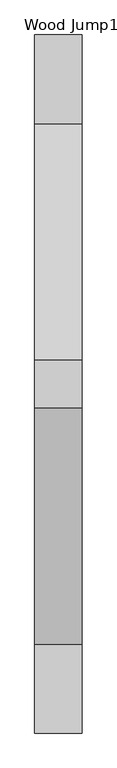
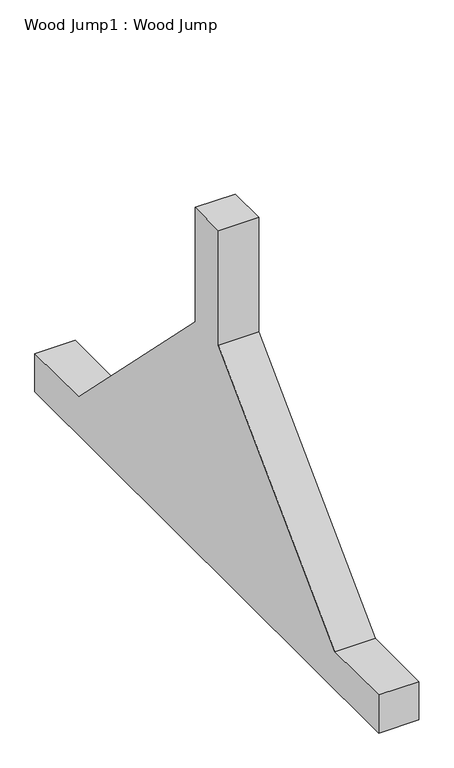
"""IFC4 building model written with IfcOpenShell, lengths in millimetres: proxy geometry, Wood Jump1 : Wood Jump."""

import ifcopenshell
import ifcopenshell.guid

model = None  # the IFC model being written
_history = None  # IfcOwnerHistory: only IFC2X3 demands one
_inside = {}  # id of a spatial element -> (the spatial element, [elements in it])
_under = {}  # id of a project, library or spatial element -> (it, [spatial elements below it])
_declared = {}  # id of a project -> (the project, [libraries it declares])
_typed = {}  # id of a type object -> (the type object, [elements of that type])
_made_of = {}  # id of a material, layer set ... -> (it, [elements and type objects made of it])


def new_model(schema):
    """Start an empty IFC model of exactly this schema.

    Asked for "IFC4X3", IfcOpenShell would pick the latest addendum, in which some entities
    have other attributes; the version numbers below select the first issue.
    IFC2X3 requires an IfcOwnerHistory on every rooted entity: one is made here for all.
    """
    global model, _history
    if schema == "IFC4X3":
        model = ifcopenshell.file(schema_version=(4, 3, 0, 0))
    else:
        model = ifcopenshell.file(schema=schema)
    _inside.clear()
    _under.clear()
    _declared.clear()
    _typed.clear()
    _made_of.clear()
    _history = None
    if model.schema == "IFC2X3":
        org = make("IfcOrganization", Name="unknown")
        user = make(
            "IfcPersonAndOrganization",
            ThePerson=make("IfcPerson", FamilyName="unknown"),
            TheOrganization=org,
        )
        app = make(
            "IfcApplication",
            ApplicationDeveloper=org,
            Version="unknown",
            ApplicationFullName="unknown",
            ApplicationIdentifier="unknown",
        )
        _history = make(
            "IfcOwnerHistory",
            OwningUser=user,
            OwningApplication=app,
            ChangeAction="ADDED",
            CreationDate=0,
        )
    return model


def make(cls, **values):
    """One entity of the class cls with the attributes given. An attribute that is None is left unset."""
    return model.create_entity(
        cls, **{name: value for name, value in values.items() if value is not None}
    )


def rooted(cls, **values):
    """An entity with a GlobalId (a new one), such as an element, a storey or a relation."""
    return make(cls, GlobalId=ifcopenshell.guid.new(), OwnerHistory=_history, **values)


def si_unit(unit_type, name, prefix=None):
    """IfcSIUnit, for example si_unit("LENGTHUNIT", "METRE", prefix="MILLI")."""
    return make("IfcSIUnit", UnitType=unit_type, Prefix=prefix, Name=name)


def assignment(units):
    """IfcUnitAssignment: the units of a project."""
    return None if units is None else make("IfcUnitAssignment", Units=units)


def point(xyz):
    """IfcCartesianPoint."""
    return None if xyz is None else make("IfcCartesianPoint", Coordinates=xyz)


def direction(xyz):
    """IfcDirection."""
    return None if xyz is None else make("IfcDirection", DirectionRatios=xyz)


def frame(location, z_axis=None, x_axis=None):
    """IfcAxis2Placement3D, a coordinate frame: its origin and axes. An axis left out is left unset."""
    return make(
        "IfcAxis2Placement3D",
        Location=point(location),
        Axis=direction(z_axis),
        RefDirection=direction(x_axis),
    )


def origin():
    """The frame at (0, 0, 0) with its axes left unset."""
    return frame((0.0, 0.0, 0.0))


def place(relative_to, where):
    """IfcLocalPlacement: puts the frame where relative to a parent placement (None: the world)."""
    return make(
        "IfcLocalPlacement", PlacementRelTo=relative_to, RelativePlacement=where
    )


def context(
    kind, dimensions, precision=None, world=None, true_north=None, identifier=None
):
    """IfcGeometricRepresentationContext, for example the 3D "Model" context."""
    return make(
        "IfcGeometricRepresentationContext",
        ContextIdentifier=identifier,
        ContextType=kind,
        CoordinateSpaceDimension=dimensions,
        Precision=precision,
        WorldCoordinateSystem=world,
        TrueNorth=true_north,
    )


def project(units=None, contexts=None):
    """IfcProject with its units and contexts."""
    return rooted(
        "IfcProject",
        Name="project",
        RepresentationContexts=contexts,
        UnitsInContext=assignment(units),
    )


def spatial(cls, under=None, at=None, **own):
    """A site, building, storey or space (cls), placed at a placement, below another one or the project."""
    s = rooted(cls, ObjectPlacement=at, **own)
    if under is not None:
        _under.setdefault(under.id(), (under, []))[1].append(s)
    return s


def polyline(points):
    """IfcPolyline through the points."""
    return make("IfcPolyline", Points=[point(p) for p in points])


def outline(outer, holes=None, kind="AREA"):
    """IfcArbitraryClosedProfileDef: a profile drawn as a closed curve; with holes, ...WithVoids."""
    if holes is None:
        return make("IfcArbitraryClosedProfileDef", ProfileType=kind, OuterCurve=outer)
    return make(
        "IfcArbitraryProfileDefWithVoids",
        ProfileType=kind,
        OuterCurve=outer,
        InnerCurves=holes,
    )


def extrude(swept, where, along, depth):
    """IfcExtrudedAreaSolid: the profile swept, set in the frame where, extruded along a direction by depth."""
    return make(
        "IfcExtrudedAreaSolid",
        SweptArea=swept,
        Position=where,
        ExtrudedDirection=direction(along),
        Depth=depth,
    )


def shape(context_of_items, identifier, shape_type, items):
    """IfcShapeRepresentation: the items that make up one representation, for example the "Body"."""
    return make(
        "IfcShapeRepresentation",
        ContextOfItems=context_of_items,
        RepresentationIdentifier=identifier,
        RepresentationType=shape_type,
        Items=items,
    )


def source(mapping_origin, context_of_items, identifier, shape_type, items):
    """IfcRepresentationMap: a shape defined once, which mapped items show again and again."""
    return make(
        "IfcRepresentationMap",
        MappingOrigin=mapping_origin,
        MappedRepresentation=shape(context_of_items, identifier, shape_type, items),
    )


def transform(
    local_origin,
    x_axis=None,
    y_axis=None,
    z_axis=None,
    scale=None,
    scale2=None,
    scale3=None,
    uniform=True,
):
    """IfcCartesianTransformationOperator3D, or its non-uniform kind. x_axis, y_axis, z_axis: its Axis1, 2, 3."""
    if uniform:
        return make(
            "IfcCartesianTransformationOperator3D",
            Axis1=direction(x_axis),
            Axis2=direction(y_axis),
            LocalOrigin=point(local_origin),
            Scale=scale,
            Axis3=direction(z_axis),
        )
    return make(
        "IfcCartesianTransformationOperator3DnonUniform",
        Axis1=direction(x_axis),
        Axis2=direction(y_axis),
        LocalOrigin=point(local_origin),
        Scale=scale,
        Axis3=direction(z_axis),
        Scale2=scale2,
        Scale3=scale3,
    )


def mapped(mapping_source, mapping_target):
    """IfcMappedItem: shows the shape of a source again, moved by a transform."""
    return make(
        "IfcMappedItem", MappingSource=mapping_source, MappingTarget=mapping_target
    )


def made_of(thing, what):
    """Note that an element or type object is made of a material, layer set ...; save() writes the relation."""
    if what is not None:
        _made_of.setdefault(what.id(), (what, []))[1].append(thing)
    return thing


def element(
    cls,
    number,
    at=None,
    inside=None,
    cuts=None,
    type_object=None,
    material=None,
    context=None,
    identifier="Body",
    shape_type=None,
    held_by="IfcProductDefinitionShape",
    body=None,
    shapes=None,
    **own,
):
    """One element of the class cls, such as IfcWall. Its Tag is "e" and its number.

    at: its placement. inside: the storey or other place that contains it. cuts: it is an
    opening in that element (IfcRelVoidsElement). A single representation is given by context,
    identifier, shape_type and body (its items); several are given by shapes. held_by: the class
    of the entity that holds the representations. save() writes the other relations.
    """
    e = rooted(cls, Tag="e%d" % number, ObjectPlacement=at, **own)
    if body is not None:
        shapes = [shape(context, identifier, shape_type, body)]
    if shapes is not None:
        e.Representation = make(held_by, Representations=shapes)
    if inside is not None:
        _inside.setdefault(inside.id(), (inside, []))[1].append(e)
    if cuts is not None:
        rooted(
            "IfcRelVoidsElement", RelatingBuildingElement=cuts, RelatedOpeningElement=e
        )
    if type_object is not None:
        _typed.setdefault(type_object.id(), (type_object, []))[1].append(e)
    return made_of(e, material)


def aggregate(whole, parts):
    """IfcRelAggregates: a whole, such as a stair, and the parts it consists of."""
    return rooted("IfcRelAggregates", RelatingObject=whole, RelatedObjects=parts)


def save(model, path):
    """Write the relations noted so far, then the file.

    IfcRelAggregates (storeys below a building ...), IfcRelContainedInSpatialStructure (elements
    in a storey), IfcRelDefinesByType, IfcRelAssociatesMaterial and IfcRelDeclares: one each for
    every whole, place, type object, material and project.
    """
    for whole, parts in _under.values():
        aggregate(whole, parts)
    for where, things in _inside.values():
        rooted(
            "IfcRelContainedInSpatialStructure",
            RelatedElements=things,
            RelatingStructure=where,
        )
    for kind, things in _typed.values():
        rooted("IfcRelDefinesByType", RelatedObjects=things, RelatingType=kind)
    for what, things in _made_of.values():
        rooted("IfcRelAssociatesMaterial", RelatedObjects=things, RelatingMaterial=what)
    for by, libraries in _declared.values():
        rooted("IfcRelDeclares", RelatingContext=by, RelatedDefinitions=libraries)
    model.write(path)


def wood_jump1_wood_jump_d23d4c33(model_context):
    return source(origin(), model_context, "Body", "SweptSolid", [
        extrude(outline(polyline([(-67435.4472837, 0.0), (-67435.4472837, 101.6), (-67244.9472837, 101.6), (-66736.9472837, 609.6), (-66736.9472837, 914.4), (-66635.3472837, 914.4), (-66635.3472837, 609.6), (-66127.3472837, 101.6), (-65936.8472837, 101.6), (-65936.8472837, 0.0), (-67435.4472837, 0.0)])), frame((261965.8073237, 0.0, 0.0), z_axis=(1.0, 0.0, 0.0), x_axis=(0.0, 1.0, 0.0)), (0.0, 0.0, 1.0), 101.6),
    ])


if __name__ == "__main__":
    model = new_model("IFC4")
    model_context = context("Model", 3, world=origin())
    ifc_project = project(units=[si_unit("LENGTHUNIT", "METRE", prefix="MILLI")], contexts=[model_context])
    site = spatial("IfcSite", under=ifc_project)
    building = spatial("IfcBuilding", under=site)
    placement = place(None, origin())
    wood_jump1_wood_jump_shape = wood_jump1_wood_jump_d23d4c33(model_context)
    element("IfcBuildingElementProxy", 1, Name="Wood Jump1 : Wood Jump", ObjectType="Wood Jump1 : Wood Jump", at=placement, inside=building, context=model_context, shape_type="MappedRepresentation", body=[
        mapped(wood_jump1_wood_jump_shape, transform((0.0, 0.0, 0.0), x_axis=(1.0, 0.0, 0.0), y_axis=(0.0, 1.0, 0.0), z_axis=(0.0, 0.0, 1.0))),
    ])
    save(model, "model.ifc")
